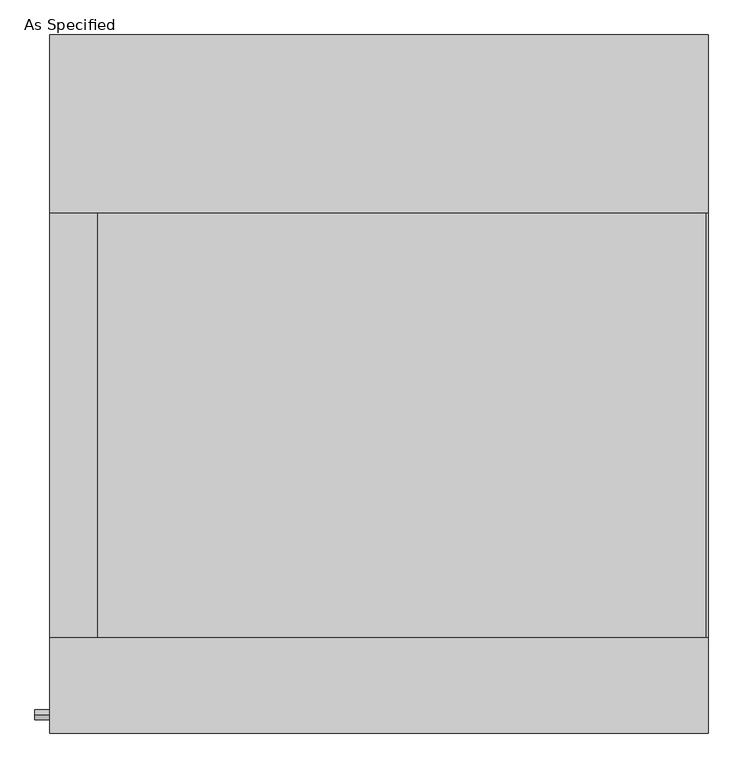
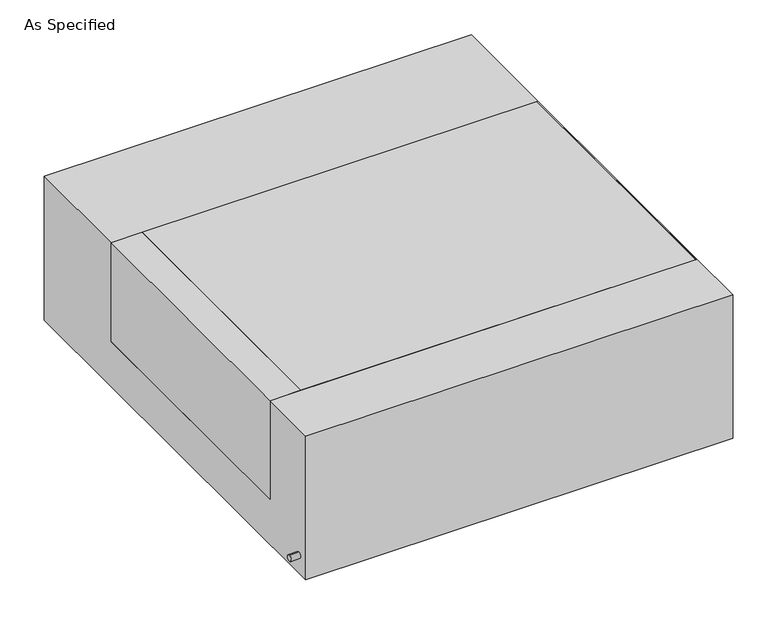
"""IFC4 building model written with IfcOpenShell, lengths in millimetres: proxy geometry, As Specified."""

from ifc_helpers import new_model, si_unit, point, frame, frame_2d, origin, place, context, project, spatial, polyline, circle_curve, trimmed, segment, composite_curve, outline, extrude, source, transform, mapped, element, save


def as_specified_09c10f96(model_context):
    return source(origin(), model_context, "Body", "SweptSolid", [
        extrude(outline(composite_curve([segment(trimmed(circle_curve(frame_2d((-712.7875, -466.725)), 10.5), [point((-712.7875, -456.225))], [point((-712.7875, -477.225))], False, "CARTESIAN"), True, "CONTINUOUS"), segment(trimmed(circle_curve(frame_2d((-712.7875, -466.725)), 10.5), [point((-712.7875, -477.225))], [point((-712.7875, -456.225))], False, "CARTESIAN"), True, "CONTINUOUS")], self_intersect=False)), frame((-741.4528384, 0.0, 0.0), z_axis=(1.0, 0.0, 0.0), x_axis=(0.0, 1.0, 0.0)), (0.0, 0.0, 1.0), 31.8403384),
        extrude(outline(polyline([(-607.21875, 368.3), (-607.21875, -546.1), (-709.6125, -546.1), (-709.6125, 368.3), (-607.21875, 368.3)])), frame((0.0, 0.0, -373.0625), z_axis=(0.0, 0.0, 1.0), x_axis=(1.0, 0.0, 0.0)), (0.0, 0.0, 1.0), 347.6625),
        extrude(outline(polyline([(705.64375, 368.3), (709.6125, 368.3), (709.6125, -546.1), (705.64375, -546.1), (705.64375, 368.3)])), frame((0.0, 0.0, -39.6875), z_axis=(0.0, 0.0, 1.0), x_axis=(1.0, 0.0, 0.0)), (0.0, 0.0, 1.0), 14.2875),
        extrude(outline(polyline([(709.6125, 368.3), (709.6125, -546.1), (-607.21875, -546.1), (-607.21875, 368.3), (709.6125, 368.3)])), frame((0.0, 0.0, -373.0625), z_axis=(0.0, 0.0, 1.0), x_axis=(1.0, 0.0, 0.0)), (0.0, 0.0, 1.0), 347.6625),
        extrude(outline(polyline([(752.475, -25.4), (752.475, -530.225), (-752.475, -530.225), (-752.475, -25.4), (-546.1, -25.4), (-546.1, -373.0625), (368.3, -373.0625), (368.3, -25.4), (752.475, -25.4)])), frame((-709.6125, 0.0, 0.0), z_axis=(1.0, 0.0, 0.0), x_axis=(0.0, 1.0, 0.0)), (0.0, 0.0, 1.0), 1419.225),
    ])


if __name__ == "__main__":
    model = new_model("IFC4")
    model_context = context("Model", 3, world=origin())
    ifc_project = project(units=[si_unit("LENGTHUNIT", "METRE", prefix="MILLI")], contexts=[model_context])
    site = spatial("IfcSite", under=ifc_project)
    building = spatial("IfcBuilding", under=site)
    placement = place(None, origin())
    as_specified_shape = as_specified_09c10f96(model_context)
    element("IfcBuildingElementProxy", 1, Name="As Specified", ObjectType="As Specified", at=placement, inside=building, context=model_context, shape_type="MappedRepresentation", body=[
        mapped(as_specified_shape, transform((0.0, 0.0, 0.0), x_axis=(1.0, 0.0, 0.0), y_axis=(0.0, 1.0, 0.0), z_axis=(0.0, 0.0, 1.0))),
    ])
    save(model, "model.ifc")
